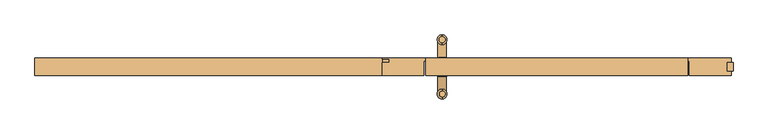
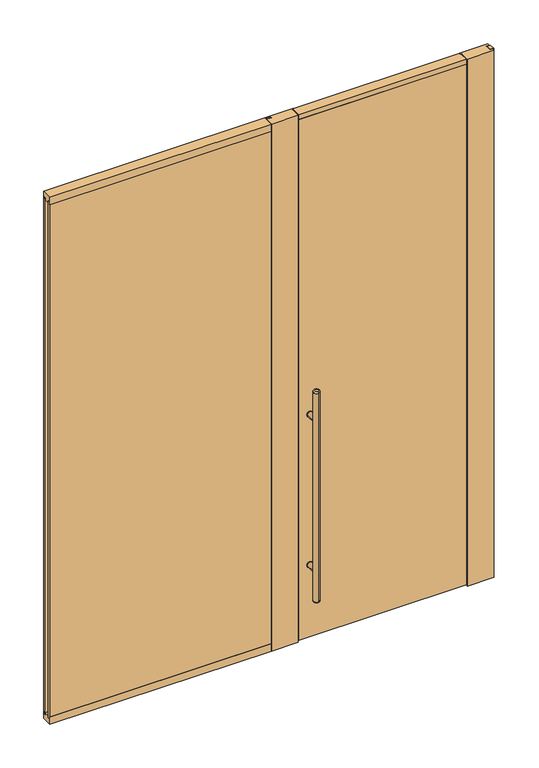
"""IFC4 building model written with IfcOpenShell, lengths in millimetres: door geometry."""

from ifc_helpers import new_model, si_unit, point, frame, frame_2d, origin, origin_with_axes, place, context, project, spatial, polyline, circle_curve, ellipse_curve, trimmed, segment, composite_curve, outline, extrude, faceted_brep, source, transform, mapped, element, save
from ifc_brep_helpers import plane_surface, cylinder_surface, revolved_surface, advanced_brep


def door_c970e8e1(model_context):
    return source(origin(), model_context, "Body", "SolidModel", [
        extrude(outline(composite_curve([segment(trimmed(circle_curve(frame_2d((428.625, 202.8499963)), 15.875), [point((428.625, 218.7249963))], [point((428.625, 186.9749963))], False, "CARTESIAN"), True, "CONTINUOUS"), segment(trimmed(circle_curve(frame_2d((428.625, 202.8499963)), 15.875), [point((428.625, 186.9749963))], [point((428.625, 218.7249963))], False, "CARTESIAN"), True, "CONTINUOUS")], self_intersect=False)), frame((0.0, 30.1625, 0.0), z_axis=(0.0, 1.0, 0.0), x_axis=(0.0, 0.0, 1.0)), (0.0, 0.0, 1.0), 3.175),
        extrude(outline(composite_curve([segment(trimmed(circle_curve(frame_2d((1298.575, 202.8499963)), 15.875), [point((1298.575, 186.9749963))], [point((1298.575, 218.7249963))], False, "CARTESIAN"), True, "CONTINUOUS"), segment(trimmed(circle_curve(frame_2d((1298.575, 202.8499963)), 15.875), [point((1298.575, 218.7249963))], [point((1298.575, 186.9749963))], False, "CARTESIAN"), True, "CONTINUOUS")], self_intersect=False)), frame((0.0, 30.1625, 0.0), z_axis=(0.0, 1.0, 0.0), x_axis=(0.0, 0.0, 1.0)), (0.0, 0.0, 1.0), 3.175),
        extrude(outline(composite_curve([segment(trimmed(circle_curve(frame_2d((428.625, 202.8499963)), 15.875), [point((428.625, 218.7249963))], [point((428.625, 186.9749963))], False, "CARTESIAN"), True, "CONTINUOUS"), segment(trimmed(circle_curve(frame_2d((428.625, 202.8499963)), 15.875), [point((428.625, 186.9749963))], [point((428.625, 218.7249963))], False, "CARTESIAN"), True, "CONTINUOUS")], self_intersect=False)), frame((0.0, -33.3375, 0.0), z_axis=(0.0, 1.0, 0.0), x_axis=(0.0, 0.0, 1.0)), (0.0, 0.0, 1.0), 3.175),
        extrude(outline(composite_curve([segment(trimmed(circle_curve(frame_2d((1298.575, 202.8499963)), 15.875), [point((1298.575, 218.7249963))], [point((1298.575, 186.9749963))], False, "CARTESIAN"), True, "CONTINUOUS"), segment(trimmed(circle_curve(frame_2d((1298.575, 202.8499963)), 15.875), [point((1298.575, 186.9749963))], [point((1298.575, 218.7249963))], False, "CARTESIAN"), True, "CONTINUOUS")], self_intersect=False)), frame((0.0, -33.3375, 0.0), z_axis=(0.0, 1.0, 0.0), x_axis=(0.0, 0.0, 1.0)), (0.0, 0.0, 1.0), 3.175),
        extrude(outline(composite_curve([segment(trimmed(circle_curve(frame_2d((428.625, 202.8499963)), 14.2875), [point((428.625, 188.5624963))], [point((428.625, 217.1374963))], False, "CARTESIAN"), True, "CONTINUOUS"), segment(trimmed(circle_curve(frame_2d((428.625, 202.8499963)), 14.2875), [point((428.625, 217.1374963))], [point((428.625, 188.5624963))], False, "CARTESIAN"), True, "CONTINUOUS")], self_intersect=False)), frame((0.0, -95.25, 0.0), z_axis=(0.0, 1.0, 0.0), x_axis=(0.0, 0.0, 1.0)), (0.0, 0.0, 1.0), 65.0875),
        extrude(outline(composite_curve([segment(trimmed(circle_curve(frame_2d((1298.575, 202.8499963)), 14.2875), [point((1298.575, 188.5624963))], [point((1298.575, 217.1374963))], False, "CARTESIAN"), True, "CONTINUOUS"), segment(trimmed(circle_curve(frame_2d((1298.575, 202.8499963)), 14.2875), [point((1298.575, 217.1374963))], [point((1298.575, 188.5624963))], False, "CARTESIAN"), True, "CONTINUOUS")], self_intersect=False)), frame((0.0, -95.25, 0.0), z_axis=(0.0, 1.0, 0.0), x_axis=(0.0, 0.0, 1.0)), (0.0, 0.0, 1.0), 65.0875),
        advanced_brep(
        [(202.8499963, -112.395, 1466.85), (202.8499963, -106.045, 1473.2), (202.8499963, -84.455, 1473.2), (202.8499963, -78.105, 1466.85), (202.8499963, -84.455, 254.0), (202.8499963, -106.045, 254.0), (202.8499963, -78.105, 260.35), (202.8499963, -112.395, 260.35)],
        [
            (0, 1, circle_curve(frame((202.8499963, -106.045, 1466.85), z_axis=(-1.0, 0.0, 0.0), x_axis=(0.0, -1.0, 0.0)), 6.35)),
            (1, 2, circle_curve(frame((202.8499963, -95.25, 1473.2), z_axis=(0.0, 0.0, -1.0), x_axis=(0.0, 1.0, 0.0)), 10.795)),
            (2, 3, circle_curve(frame((202.8499963, -84.455, 1466.85), z_axis=(-1.0, 0.0, 0.0), x_axis=(0.0, 1.0, 0.0)), 6.35)),
            (3, 0, circle_curve(frame((202.8499963, -95.25, 1466.85), z_axis=(0.0, 0.0, 1.0), x_axis=(0.0, 1.0, 0.0)), 17.145)),
            (1, 2, circle_curve(frame((202.8499963, -95.25, 1473.2), z_axis=(0.0, 0.0, 1.0), x_axis=(0.0, 1.0, 0.0)), 10.795)),
            (4, 5, circle_curve(frame((202.8499963, -95.25, 254.0), z_axis=(0.0, 0.0, -1.0), x_axis=(0.0, 1.0, 0.0)), 10.795)),
            (5, 4, circle_curve(frame((202.8499963, -95.25, 254.0), z_axis=(0.0, 0.0, -1.0), x_axis=(0.0, 1.0, 0.0)), 10.795)),
            (6, 7, circle_curve(frame((202.8499963, -95.25, 260.35), z_axis=(0.0, 0.0, 1.0), x_axis=(0.0, -1.0, 0.0)), 17.145)),
            (7, 0),
            (3, 6),
            (7, 6, circle_curve(frame((202.8499963, -95.25, 260.35), z_axis=(0.0, 0.0, 1.0), x_axis=(0.0, -1.0, 0.0)), 17.145)),
            (3, 0, circle_curve(frame((202.8499963, -95.25, 1466.85), z_axis=(0.0, 0.0, -1.0), x_axis=(0.0, -1.0, 0.0)), 17.145)),
            (7, 5, circle_curve(frame((202.8499963, -106.045, 260.35), z_axis=(1.0, 0.0, 0.0), x_axis=(0.0, -1.0, 0.0)), 6.35)),
            (4, 6, circle_curve(frame((202.8499963, -84.455, 260.35), z_axis=(1.0, 0.0, 0.0), x_axis=(0.0, 1.0, 0.0)), 6.35)),
        ],
        [
            revolved_surface(trimmed(ellipse_curve(frame((202.8499963, -84.455, 1466.85), z_axis=(-1.0, 0.0, 0.0), x_axis=(0.0, 1.0, 0.0)), 6.35, 6.35), [point((202.8499963, -84.455, 1473.2))], [point((202.8499963, -78.105, 1466.85))], True, "CARTESIAN"), (202.8499963, -95.25, -355.6), (0.0, 0.0, -1.0)),
            plane_surface(frame((202.8499963, -112.395, 1473.2), z_axis=(0.0, 0.0, 1.0), x_axis=(1.0, 0.0, 0.0))),
            plane_surface(frame((202.8499963, -112.395, 254.0), z_axis=(0.0, 0.0, -1.0), x_axis=(-1.0, 0.0, 0.0))),
            cylinder_surface(frame((202.8499963, -95.25, 254.0), z_axis=(0.0, 0.0, 1.0), x_axis=(0.0, -1.0, 0.0)), 17.145),
            revolved_surface(trimmed(ellipse_curve(frame((202.8499963, -84.455, 260.35), z_axis=(-1.0, 0.0, 0.0), x_axis=(0.0, 1.0, 0.0)), 6.35, 6.35), [point((202.8499963, -78.105, 260.35))], [point((202.8499963, -84.455, 254.0))], True, "CARTESIAN"), (202.8499963, -95.25, 2082.8), (0.0, 0.0, -1.0)),
        ],
        [
            (0, [[1, 2, 3, 4]]),
            (1, [[5, -2]]),
            (2, [[6, 7]]),
            (3, [[8, 9, -4, 10]]),
            (3, [[11, -10, 12, -9]]),
            (4, [[13, -6, 14, -11]]),
            (4, [[-13, -8, -14, -7]]),
            (0, [[-1, -12, -3, -5]]),
        ],
    ),
        advanced_brep(
        [(202.8499963, 106.045, 254.0), (202.8499963, 112.395, 260.35), (202.8499963, 78.105, 260.35), (202.8499963, 84.455, 254.0), (202.8499963, 84.455, 1473.2), (202.8499963, 106.045, 1473.2), (202.8499963, 78.105, 1466.85), (202.8499963, 112.395, 1466.85)],
        [
            (0, 1, circle_curve(frame((202.8499963, 106.045, 260.35), z_axis=(1.0, 0.0, 0.0), x_axis=(0.0, 1.0, 0.0)), 6.35)),
            (1, 2, circle_curve(frame((202.8499963, 95.25, 260.35), z_axis=(0.0, 0.0, -1.0), x_axis=(0.0, -1.0, 0.0)), 17.145)),
            (2, 3, circle_curve(frame((202.8499963, 84.455, 260.35), z_axis=(1.0, 0.0, 0.0), x_axis=(0.0, -1.0, 0.0)), 6.35)),
            (3, 0, circle_curve(frame((202.8499963, 95.25, 254.0), z_axis=(0.0, 0.0, 1.0), x_axis=(0.0, -1.0, 0.0)), 10.795)),
            (0, 3, circle_curve(frame((202.8499963, 95.25, 254.0), z_axis=(0.0, 0.0, 1.0), x_axis=(0.0, -1.0, 0.0)), 10.795)),
            (2, 1, circle_curve(frame((202.8499963, 95.25, 260.35), z_axis=(0.0, 0.0, -1.0), x_axis=(0.0, -1.0, 0.0)), 17.145)),
            (4, 5, circle_curve(frame((202.8499963, 95.25, 1473.2), z_axis=(0.0, 0.0, 1.0), x_axis=(0.0, -1.0, 0.0)), 10.795)),
            (5, 4, circle_curve(frame((202.8499963, 95.25, 1473.2), z_axis=(0.0, 0.0, 1.0), x_axis=(0.0, -1.0, 0.0)), 10.795)),
            (2, 6),
            (6, 7, circle_curve(frame((202.8499963, 95.25, 1466.85), z_axis=(0.0, 0.0, -1.0), x_axis=(0.0, -1.0, 0.0)), 17.145)),
            (7, 1),
            (7, 6, circle_curve(frame((202.8499963, 95.25, 1466.85), z_axis=(0.0, 0.0, -1.0), x_axis=(0.0, -1.0, 0.0)), 17.145)),
            (7, 5, circle_curve(frame((202.8499963, 106.045, 1466.85), z_axis=(1.0, 0.0, 0.0), x_axis=(0.0, 1.0, 0.0)), 6.35)),
            (4, 6, circle_curve(frame((202.8499963, 84.455, 1466.85), z_axis=(1.0, 0.0, 0.0), x_axis=(0.0, -1.0, 0.0)), 6.35)),
        ],
        [
            revolved_surface(trimmed(ellipse_curve(frame((202.8499963, 84.455, 260.35), z_axis=(-1.0, 0.0, 0.0), x_axis=(0.0, -1.0, 0.0)), 6.35, 6.35), [point((202.8499963, 84.455, 254.0))], [point((202.8499963, 78.105, 260.35))], True, "CARTESIAN"), (202.8499963, 95.25, 2082.8), (0.0, 0.0, 1.0)),
            plane_surface(frame((202.8499963, -112.395, 1473.2), z_axis=(0.0, 0.0, 1.0), x_axis=(1.0, 0.0, 0.0))),
            plane_surface(frame((202.8499963, -112.395, 254.0), z_axis=(0.0, 0.0, -1.0), x_axis=(-1.0, 0.0, 0.0))),
            cylinder_surface(frame((202.8499963, 95.25, 254.0), z_axis=(0.0, 0.0, 1.0), x_axis=(0.0, -1.0, 0.0)), 17.145),
            revolved_surface(trimmed(ellipse_curve(frame((202.8499963, 84.455, 1466.85), z_axis=(-1.0, 0.0, 0.0), x_axis=(0.0, -1.0, 0.0)), 6.35, 6.35), [point((202.8499963, 78.105, 1466.85))], [point((202.8499963, 84.455, 1473.2))], True, "CARTESIAN"), (202.8499963, 95.25, -355.6), (0.0, 0.0, 1.0)),
        ],
        [
            (0, [[1, 2, 3, 4]]),
            (0, [[-1, 5, -3, 6]]),
            (1, [[7, 8]]),
            (2, [[-4, -5]]),
            (3, [[-6, 9, 10, 11]]),
            (3, [[-2, -11, 12, -9]]),
            (4, [[13, -7, 14, -12]]),
            (4, [[-13, -10, -14, -8]]),
        ],
    ),
        extrude(outline(composite_curve([segment(trimmed(circle_curve(frame_2d((428.625, 202.8499963)), 14.2875), [point((428.625, 188.5624963))], [point((428.625, 217.1374963))], False, "CARTESIAN"), True, "CONTINUOUS"), segment(trimmed(circle_curve(frame_2d((428.625, 202.8499963)), 14.2875), [point((428.625, 217.1374963))], [point((428.625, 188.5624963))], False, "CARTESIAN"), True, "CONTINUOUS")], self_intersect=False)), frame((0.0, 30.1625, 0.0), z_axis=(0.0, 1.0, 0.0), x_axis=(0.0, 0.0, 1.0)), (0.0, 0.0, 1.0), 65.0875),
        extrude(outline(composite_curve([segment(trimmed(circle_curve(frame_2d((1298.575, 202.8499963)), 14.2875), [point((1298.575, 188.5624963))], [point((1298.575, 217.1374963))], False, "CARTESIAN"), True, "CONTINUOUS"), segment(trimmed(circle_curve(frame_2d((1298.575, 202.8499963)), 14.2875), [point((1298.575, 217.1374963))], [point((1298.575, 188.5624963))], False, "CARTESIAN"), True, "CONTINUOUS")], self_intersect=False)), frame((0.0, 30.1625, 0.0), z_axis=(0.0, 1.0, 0.0), x_axis=(0.0, 0.0, 1.0)), (0.0, 0.0, 1.0), 65.0875),
        extrude(outline(polyline([(-1219.2, -14.2875), (18.6999963, -14.2875), (18.6999963, -26.9875), (-1219.2, -26.9875), (-1219.2, -14.2875)])), frame((0.0, 0.0, 28.575), z_axis=(0.0, 0.0, 1.0), x_axis=(1.0, 0.0, 0.0)), (0.0, 0.0, 1.0), 2990.85),
        extrude(outline(polyline([(1219.2, 14.8375), (1219.2, -15.1625), (1199.2, -15.1625), (1199.2, 14.8375), (1219.2, 14.8375)])), origin_with_axes(), (0.0, 0.0, 1.0), 3048.0),
        faceted_brep([(1050.5749963, 30.1625, 9.525), (1050.5749963, 17.4625, 9.525), (1060.0999963, 17.4625, 9.525), (1060.0999963, -30.1625, 9.525), (145.6999963, -30.1625, 9.525), (145.6999963, 17.4625, 9.525), (155.2249963, 17.4625, 9.525), (155.2249963, 30.1625, 9.525), (1060.0999963, 17.4625, 3008.8047049), (1060.0999963, 14.2875, 3008.8047049), (1060.0999963, 14.2875, 3019.425), (1060.0999963, -30.1625, 3019.425), (1060.0999963, -30.1625, 3048.0), (1060.0999963, -30.1625, 3021.5047049), (1060.0999963, 14.2875, 3021.5047049), (1060.0999963, 17.4625, 3021.5047049), (1060.0999963, 17.4625, 3011.9797049), (1060.0999963, 30.1625, 3011.9797049), (1060.0999963, 30.1625, 3048.0), (145.6999963, -30.1625, 3019.425), (1050.5749963, 17.4625, 3008.8047049), (145.6999963, -30.1625, 3048.0), (145.6999963, 30.1625, 3048.0), (145.6999963, 30.1625, 3011.9797049), (145.6999963, 17.4625, 3011.9797049), (145.6999963, 17.4625, 3019.425), (145.6999963, 17.4625, 3021.5047049), (145.6999963, -30.1625, 3021.5047049), (155.2249963, 17.4625, 3011.9797049), (457.2, 30.1625, 3011.9797049), (457.2, 30.1625, 3008.8047049), (1050.5749963, 30.1625, 3008.8047049), (155.2249963, 30.1625, 3011.9797049), (457.2, 17.4625, 3011.9797049), (457.2, 17.4625, 3019.425), (457.2, 14.2875, 3019.425), (457.2, 14.2875, 3008.8047049)], [[[0, 1, 2, 3, 4, 5, 6, 7]], [[2, 8, 9, 10, 11, 3]], [[12, 13, 14, 15, 16, 17, 18]], [[19, 4, 3, 11]], [[1, 20, 8, 2]], [[21, 22, 23, 24, 5, 4, 19, 25, 26, 27]], [[5, 24, 28, 6]], [[29, 30, 31, 0, 7, 32, 23, 22, 18, 17]], [[0, 31, 20, 1]], [[6, 28, 32, 7]], [[18, 22, 21, 12]], [[23, 32, 28, 24]], [[16, 33, 29, 17]], [[16, 15, 26, 25, 34, 33]], [[15, 14, 13, 27, 26]], [[12, 21, 27, 13]], [[11, 10, 35, 34, 25, 19]], [[36, 35, 10, 9]], [[36, 9, 8, 20, 31, 30]], [[33, 34, 35, 36, 30, 29]]]),
        extrude(outline(polyline([(-1219.2, 14.2875), (-1219.2, 26.9875), (18.6999963, 26.9875), (18.6999963, 14.2875), (-1219.2, 14.2875)])), frame((0.0, 0.0, 28.575), z_axis=(0.0, 0.0, 1.0), x_axis=(1.0, 0.0, 0.0)), (0.0, 0.0, 1.0), 2990.85),
        extrude(outline(polyline([(1212.4999963, 30.1625), (1212.4999963, 15.8375), (1198.2, 15.8375), (1198.2, -16.1625), (1212.4999963, -16.1625), (1212.4999963, -30.1625), (1066.4499963, -30.1625), (1066.4499963, 20.6375), (1056.9249963, 20.6375), (1056.9249963, 30.1625), (1212.4999963, 30.1625)])), origin_with_axes(), (0.0, 0.0, 1.0), 3048.0),
        extrude(outline(polyline([(-6.7000037, 14.2875), (18.6999963, 14.2875), (18.6999963, 26.9875), (-6.7000037, 26.9875), (-6.7000037, 30.1625), (148.8749963, 30.1625), (148.8749963, 20.6375), (139.3499963, 20.6375), (139.3499963, -30.1625), (-6.7000037, -30.1625), (-6.7000037, 14.2875)])), origin_with_axes(), (0.0, 0.0, 1.0), 3048.0),
        extrude(outline(polyline([(-30.1625, 3048.0), (30.1625, 3048.0), (30.1625, 3006.725), (26.9875, 3006.725), (26.9875, 3019.425), (14.2875, 3019.425), (14.2875, 3006.725), (-14.2875, 3006.725), (-14.2875, 3019.425), (-26.9875, 3019.425), (-26.9875, 3006.725), (-30.1625, 3006.725), (-30.1625, 3048.0)])), frame((-1219.2, 0.0, 0.0), z_axis=(1.0, 0.0, 0.0), x_axis=(0.0, 1.0, 0.0)), (0.0, 0.0, 1.0), 1212.4999963),
        extrude(outline(polyline([(-30.1625, 0.0), (-30.1625, 41.275), (-26.9875, 41.275), (-26.9875, 28.575), (-14.2875, 28.575), (-14.2875, 41.275), (14.2875, 41.275), (14.2875, 28.575), (26.9875, 28.575), (26.9875, 41.275), (30.1625, 41.275), (30.1625, 0.0), (-30.1625, 0.0)])), frame((-1219.2, 0.0, 0.0), z_axis=(1.0, 0.0, 0.0), x_axis=(0.0, 1.0, 0.0)), (0.0, 0.0, 1.0), 1212.4999963),
    ])


if __name__ == "__main__":
    model = new_model("IFC4")
    model_context = context("Model", 3, world=origin())
    ifc_project = project(units=[si_unit("LENGTHUNIT", "METRE", prefix="MILLI")], contexts=[model_context])
    site = spatial("IfcSite", under=ifc_project)
    building = spatial("IfcBuilding", under=site)
    placement = place(None, origin())
    door_shape = door_c970e8e1(model_context)
    element("IfcDoor", 1, at=placement, inside=building, context=model_context, shape_type="MappedRepresentation", body=[
        mapped(door_shape, transform((0.0, 0.0, 0.0), x_axis=(1.0, 0.0, 0.0), y_axis=(0.0, 1.0, 0.0), z_axis=(0.0, 0.0, 1.0))),
    ])
    save(model, "model.ifc")
